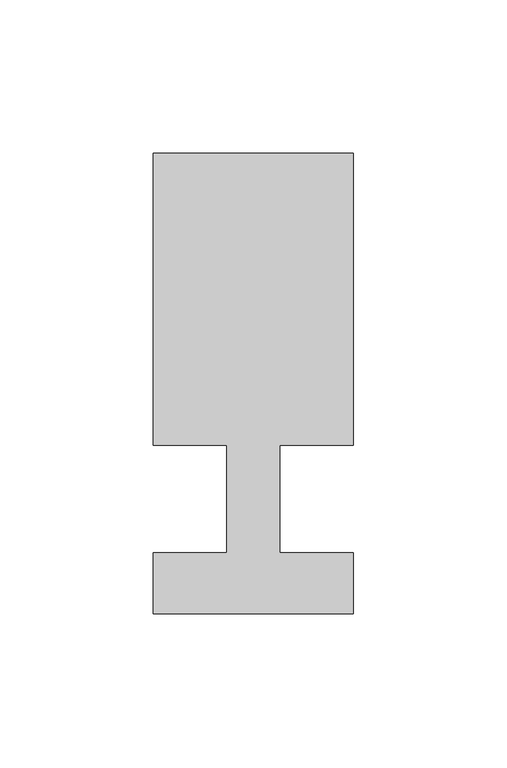
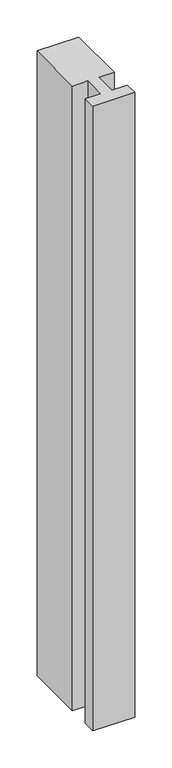
"""IFC4 building model written with IfcOpenShell, lengths in millimetres: member geometry."""

from ifc_helpers import new_model, si_unit, frame, origin, place, context, project, spatial, polyline, outline, extrude, source, transform, mapped, element, save


def member_5e4ded42(model_context):
    return source(origin(), model_context, "Body", "SweptSolid", [
        extrude(outline(polyline([(0.0, -37.0), (-65.0, -37.0), (-65.0, -17.0), (-41.1875, -17.0), (-41.1875, 18.0), (-65.0, 18.0), (-65.0, 113.0), (0.0, 113.0), (0.0, 18.0), (-23.8125, 18.0), (-23.8125, -17.0), (0.0, -17.0), (0.0, -37.0)])), frame((0.0, 0.0, -1026.7857143), z_axis=(0.0, 0.0, 1.0), x_axis=(1.0, 0.0, 0.0)), (0.0, 0.0, 1.0), 1026.7857143),
    ])


if __name__ == "__main__":
    model = new_model("IFC4")
    model_context = context("Model", 3, world=origin())
    ifc_project = project(units=[si_unit("LENGTHUNIT", "METRE", prefix="MILLI")], contexts=[model_context])
    site = spatial("IfcSite", under=ifc_project)
    building = spatial("IfcBuilding", under=site)
    placement = place(None, origin())
    member_shape = member_5e4ded42(model_context)
    element("IfcMember", 1, at=placement, inside=building, context=model_context, shape_type="MappedRepresentation", body=[
        mapped(member_shape, transform((0.0, 0.0, 0.0), x_axis=(1.0, 0.0, 0.0), y_axis=(0.0, 1.0, 0.0), z_axis=(0.0, 0.0, 1.0))),
    ])
    save(model, "model.ifc")
